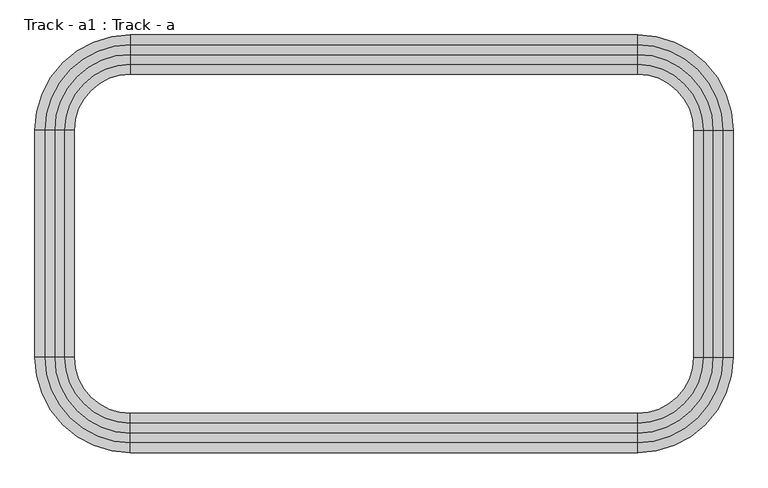
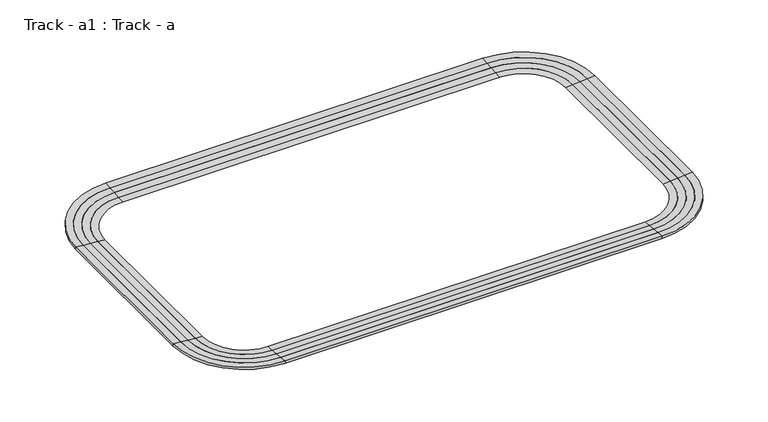
"""IFC4 building model written with IfcOpenShell, lengths in millimetres: proxy geometry, Track - a1 : Track - a."""

from ifc_helpers import new_model, si_unit, frame, origin, place, context, project, spatial, polyline, circle_curve, source, transform, mapped, element, save
from ifc_brep_helpers import plane_surface, cylinder_surface, revolved_surface, advanced_brep


def track_a1_track_a_b230d546(model_context):
    return source(origin(), model_context, "Body", "AdvancedBrep", [
        advanced_brep(
        [(249016.6254676, -479425.8080223, 4775.2), (238653.4254676, -469062.6080223, 4775.2), (238653.4254676, -470129.4080223, 4686.3), (247949.8254676, -479425.8080223, 4686.3), (249016.6254676, -479425.8080223, 4419.6), (238653.4254676, -469062.6080223, 4419.6), (238653.4254676, -470129.4080223, 4419.6), (247949.8254676, -479425.8080223, 4419.6), (247949.8254676, -504114.6080223, 4686.3), (249016.6254676, -504114.6080223, 4775.2), (249016.6254676, -504114.6080223, 4419.6), (247949.8254676, -504114.6080223, 4419.6), (238653.4254676, -514477.8080223, 4775.2), (238653.4254676, -513411.0080223, 4686.3), (238653.4254676, -514477.8080223, 4419.6), (238653.4254676, -513411.0080223, 4419.6), (183484.6254676, -513411.0080223, 4686.3), (183484.6254676, -514477.8080223, 4775.2), (183484.6254676, -514477.8080223, 4419.6), (183484.6254676, -513411.0080223, 4419.6), (173121.4254676, -504114.6080223, 4775.2), (174188.2254676, -504114.6080223, 4686.3), (173121.4254676, -504114.6080223, 4419.6), (174188.2254676, -504114.6080223, 4419.6), (174188.2254676, -479425.8080223, 4686.3), (173121.4254676, -479425.8080223, 4775.2), (173121.4254676, -479425.8080223, 4419.6), (174188.2254676, -479425.8080223, 4419.6), (183484.6254676, -469062.6080223, 4775.2), (183484.6254676, -470129.4080223, 4686.3), (183484.6254676, -469062.6080223, 4419.6), (183484.6254676, -470129.4080223, 4419.6)],
        [
            (0, 1, circle_curve(frame((238653.4254676, -479425.8080223, 4775.2), z_axis=(0.0, 0.0, 1.0), x_axis=(0.0, 1.0, 0.0)), 10363.2)),
            (1, 2),
            (2, 3, circle_curve(frame((238653.4254676, -479425.8080223, 4686.3), z_axis=(0.0, 0.0, -1.0), x_axis=(0.0, 1.0, 0.0)), 9296.4)),
            (3, 0),
            (4, 5, circle_curve(frame((238653.4254676, -479425.8080223, 4419.6), z_axis=(0.0, 0.0, 1.0), x_axis=(0.0, 1.0, 0.0)), 10363.2)),
            (5, 1),
            (0, 4),
            (2, 6),
            (6, 7, circle_curve(frame((238653.4254676, -479425.8080223, 4419.6), z_axis=(0.0, 0.0, -1.0), x_axis=(0.0, 1.0, 0.0)), 9296.4)),
            (7, 3),
            (3, 8),
            (8, 9),
            (9, 0),
            (9, 10),
            (10, 4),
            (7, 11),
            (11, 8),
            (12, 9, circle_curve(frame((238653.4254676, -504114.6080223, 4775.2), z_axis=(0.0, 0.0, 1.0), x_axis=(1.0, 0.0, 0.0)), 10363.2)),
            (8, 13, circle_curve(frame((238653.4254676, -504114.6080223, 4686.3), z_axis=(0.0, 0.0, -1.0), x_axis=(1.0, 0.0, 0.0)), 9296.4)),
            (13, 12),
            (14, 10, circle_curve(frame((238653.4254676, -504114.6080223, 4419.6), z_axis=(0.0, 0.0, 1.0), x_axis=(1.0, 0.0, 0.0)), 10363.2)),
            (12, 14),
            (11, 15, circle_curve(frame((238653.4254676, -504114.6080223, 4419.6), z_axis=(0.0, 0.0, -1.0), x_axis=(1.0, 0.0, 0.0)), 9296.4)),
            (15, 13),
            (13, 16),
            (16, 17),
            (17, 12),
            (17, 18),
            (18, 14),
            (15, 19),
            (19, 16),
            (20, 17, circle_curve(frame((183484.6254676, -504114.6080223, 4775.2), z_axis=(0.0, 0.0, 1.0), x_axis=(0.0, -1.0, 0.0)), 10363.2)),
            (16, 21, circle_curve(frame((183484.6254676, -504114.6080223, 4686.3), z_axis=(0.0, 0.0, -1.0), x_axis=(0.0, -1.0, 0.0)), 9296.4)),
            (21, 20),
            (22, 18, circle_curve(frame((183484.6254676, -504114.6080223, 4419.6), z_axis=(0.0, 0.0, 1.0), x_axis=(0.0, -1.0, 0.0)), 10363.2)),
            (20, 22),
            (19, 23, circle_curve(frame((183484.6254676, -504114.6080223, 4419.6), z_axis=(0.0, 0.0, -1.0), x_axis=(0.0, -1.0, 0.0)), 9296.4)),
            (23, 21),
            (21, 24),
            (24, 25),
            (25, 20),
            (25, 26),
            (26, 22),
            (23, 27),
            (27, 24),
            (28, 25, circle_curve(frame((183484.6254676, -479425.8080223, 4775.2), z_axis=(0.0, 0.0, 1.0), x_axis=(-1.0, 0.0, 0.0)), 10363.2)),
            (24, 29, circle_curve(frame((183484.6254676, -479425.8080223, 4686.3), z_axis=(0.0, 0.0, -1.0), x_axis=(-1.0, 0.0, 0.0)), 9296.4)),
            (29, 28),
            (30, 26, circle_curve(frame((183484.6254676, -479425.8080223, 4419.6), z_axis=(0.0, 0.0, 1.0), x_axis=(-1.0, 0.0, 0.0)), 10363.2)),
            (28, 30),
            (27, 31, circle_curve(frame((183484.6254676, -479425.8080223, 4419.6), z_axis=(0.0, 0.0, -1.0), x_axis=(-1.0, 0.0, 0.0)), 9296.4)),
            (31, 29),
            (29, 2),
            (1, 28),
            (5, 30),
            (6, 31),
        ],
        [
            revolved_surface(polyline([(238653.4254676, -470129.4080223, 4686.3), (238653.4254676, -469062.6080223, 4775.2)]), (238653.4254676, -479425.8080223, 0.0), (0.0, 0.0, -1.0)),
            cylinder_surface(frame((238653.4254676, -479425.8080223, 0.0), z_axis=(0.0, 0.0, -1.0), x_axis=(0.0, 1.0, 0.0)), 10363.2),
            revolved_surface(polyline([(238653.4254676, -470129.4080223, 4419.6), (238653.4254676, -470129.4080223, 4686.3)]), (238653.4254676, -479425.8080223, 0.0), (0.0, 0.0, -1.0)),
            plane_surface(frame((247949.8254676, -479425.8080223, 4686.3), z_axis=(-0.08304547985373159, 0.0, 0.9965457582448803), x_axis=(0.0, -1.0, 0.0))),
            plane_surface(frame((249016.6254676, -479425.8080223, 4775.2), z_axis=(1.0, 0.0, 0.0), x_axis=(0.0, -1.0, 0.0))),
            plane_surface(frame((247949.8254676, -479425.8080223, 4419.6), z_axis=(-1.0, 0.0, 0.0), x_axis=(0.0, -1.0, 0.0))),
            revolved_surface(polyline([(247949.8254676, -504114.6080223, 4686.3), (249016.6254676, -504114.6080223, 4775.2)]), (238653.4254676, -504114.6080223, 0.0), (0.0, 0.0, -1.0)),
            cylinder_surface(frame((238653.4254676, -504114.6080223, 0.0), z_axis=(0.0, 0.0, -1.0), x_axis=(1.0, 0.0, 0.0)), 10363.2),
            revolved_surface(polyline([(247949.8254676, -504114.6080223, 4419.6), (247949.8254676, -504114.6080223, 4686.3)]), (238653.4254676, -504114.6080223, 0.0), (0.0, 0.0, -1.0)),
            plane_surface(frame((238653.4254676, -513411.0080223, 4686.3), z_axis=(0.0, 0.08304547985373159, 0.9965457582448803), x_axis=(-1.0, 0.0, 0.0))),
            plane_surface(frame((238653.4254676, -514477.8080223, 4775.2), z_axis=(0.0, -1.0, 0.0), x_axis=(-1.0, 0.0, 0.0))),
            plane_surface(frame((238653.4254676, -513411.0080223, 4419.6), z_axis=(0.0, 1.0, 0.0), x_axis=(-1.0, 0.0, 0.0))),
            revolved_surface(polyline([(183484.6254676, -513411.0080223, 4686.3), (183484.6254676, -514477.8080223, 4775.2)]), (183484.6254676, -504114.6080223, 0.0), (0.0, 0.0, -1.0)),
            cylinder_surface(frame((183484.6254676, -504114.6080223, 0.0), z_axis=(0.0, 0.0, -1.0), x_axis=(0.0, -1.0, 0.0)), 10363.2),
            revolved_surface(polyline([(183484.6254676, -513411.0080223, 4419.6), (183484.6254676, -513411.0080223, 4686.3)]), (183484.6254676, -504114.6080223, 0.0), (0.0, 0.0, -1.0)),
            plane_surface(frame((174188.2254676, -504114.6080223, 4686.3), z_axis=(0.08304547985373159, 0.0, 0.9965457582448803), x_axis=(0.0, 1.0, 0.0))),
            plane_surface(frame((173121.4254676, -504114.6080223, 4775.2), z_axis=(-1.0, 0.0, 0.0), x_axis=(0.0, 1.0, 0.0))),
            plane_surface(frame((174188.2254676, -504114.6080223, 4419.6), z_axis=(1.0, 0.0, 0.0), x_axis=(0.0, 1.0, 0.0))),
            revolved_surface(polyline([(174188.2254676, -479425.8080223, 4686.3), (173121.4254676, -479425.8080223, 4775.2)]), (183484.6254676, -479425.8080223, 0.0), (0.0, 0.0, -1.0)),
            cylinder_surface(frame((183484.6254676, -479425.8080223, 0.0), z_axis=(0.0, 0.0, -1.0), x_axis=(-1.0, 0.0, 0.0)), 10363.2),
            revolved_surface(polyline([(174188.22546760002, -479425.8080223, 4419.6), (174188.22546760002, -479425.8080223, 4686.3)]), (183484.6254676, -479425.8080223, 0.0), (0.0, 0.0, -1.0)),
            plane_surface(frame((183484.6254676, -470129.4080223, 4686.3), z_axis=(0.0, -0.08304547985373159, 0.9965457582448803), x_axis=(1.0, 0.0, 0.0))),
            plane_surface(frame((183484.6254676, -469062.6080223, 4775.2), z_axis=(0.0, 1.0, 0.0), x_axis=(1.0, 0.0, 0.0))),
            plane_surface(frame((183484.6254676, -469062.6080223, 4419.6), z_axis=(0.0, 0.0, -1.0), x_axis=(1.0, 0.0, 0.0))),
            plane_surface(frame((183484.6254676, -470129.4080223, 4419.6), z_axis=(0.0, -1.0, 0.0), x_axis=(1.0, 0.0, 0.0))),
        ],
        [
            (0, [[1, 2, 3, 4]]),
            (1, [[5, 6, -1, 7]]),
            (2, [[-3, 8, 9, 10]]),
            (3, [[-4, 11, 12, 13]]),
            (4, [[-7, -13, 14, 15]]),
            (5, [[-10, 16, 17, -11]]),
            (6, [[18, -12, 19, 20]]),
            (7, [[21, -14, -18, 22]]),
            (8, [[-19, -17, 23, 24]]),
            (9, [[-20, 25, 26, 27]]),
            (10, [[-22, -27, 28, 29]]),
            (11, [[-24, 30, 31, -25]]),
            (12, [[32, -26, 33, 34]]),
            (13, [[35, -28, -32, 36]]),
            (14, [[-33, -31, 37, 38]]),
            (15, [[-34, 39, 40, 41]]),
            (16, [[-36, -41, 42, 43]]),
            (17, [[-38, 44, 45, -39]]),
            (18, [[46, -40, 47, 48]]),
            (19, [[49, -42, -46, 50]]),
            (20, [[-47, -45, 51, 52]]),
            (21, [[-48, 53, -2, 54]]),
            (22, [[-50, -54, -6, 55]]),
            (23, [[-43, -49, -55, -5, -15, -21, -29, -35], [56, -51, -44, -37, -30, -23, -16, -9]]),
            (24, [[-52, -56, -8, -53]]),
        ],
    ),
        advanced_brep(
        [(247949.8254676, -479425.8080223, 4686.3), (238653.4254676, -470129.4080223, 4686.3), (238653.4254676, -471196.2080223, 4597.4), (246883.0254676, -479425.8080223, 4597.4), (247949.8254676, -479425.8080223, 4419.6), (238653.4254676, -470129.4080223, 4419.6), (238653.4254676, -471196.2080223, 4419.6), (246883.0254676, -479425.8080223, 4419.6), (246883.0254676, -504114.6080223, 4597.4), (247949.8254676, -504114.6080223, 4686.3), (247949.8254676, -504114.6080223, 4419.6), (246883.0254676, -504114.6080223, 4419.6), (238653.4254676, -513411.0080223, 4686.3), (238653.4254676, -512344.2080223, 4597.4), (238653.4254676, -513411.0080223, 4419.6), (238653.4254676, -512344.2080223, 4419.6), (183484.6254676, -512344.2080223, 4597.4), (183484.6254676, -513411.0080223, 4686.3), (183484.6254676, -513411.0080223, 4419.6), (183484.6254676, -512344.2080223, 4419.6), (174188.2254676, -504114.6080223, 4686.3), (175255.0254676, -504114.6080223, 4597.4), (174188.2254676, -504114.6080223, 4419.6), (175255.0254676, -504114.6080223, 4419.6), (175255.0254676, -479425.8080223, 4597.4), (174188.2254676, -479425.8080223, 4686.3), (174188.2254676, -479425.8080223, 4419.6), (175255.0254676, -479425.8080223, 4419.6), (183484.6254676, -470129.4080223, 4686.3), (183484.6254676, -471196.2080223, 4597.4), (183484.6254676, -470129.4080223, 4419.6), (183484.6254676, -471196.2080223, 4419.6)],
        [
            (0, 1, circle_curve(frame((238653.4254676, -479425.8080223, 4686.3), z_axis=(0.0, 0.0, 1.0), x_axis=(0.0, 1.0, 0.0)), 9296.4)),
            (1, 2),
            (2, 3, circle_curve(frame((238653.4254676, -479425.8080223, 4597.4), z_axis=(0.0, 0.0, -1.0), x_axis=(0.0, 1.0, 0.0)), 8229.6)),
            (3, 0),
            (4, 5, circle_curve(frame((238653.4254676, -479425.8080223, 4419.6), z_axis=(0.0, 0.0, 1.0), x_axis=(0.0, 1.0, 0.0)), 9296.4)),
            (5, 1),
            (0, 4),
            (2, 6),
            (6, 7, circle_curve(frame((238653.4254676, -479425.8080223, 4419.6), z_axis=(0.0, 0.0, -1.0), x_axis=(0.0, 1.0, 0.0)), 8229.6)),
            (7, 3),
            (3, 8),
            (8, 9),
            (9, 0),
            (9, 10),
            (10, 4),
            (7, 11),
            (11, 8),
            (12, 9, circle_curve(frame((238653.4254676, -504114.6080223, 4686.3), z_axis=(0.0, 0.0, 1.0), x_axis=(1.0, 0.0, 0.0)), 9296.4)),
            (8, 13, circle_curve(frame((238653.4254676, -504114.6080223, 4597.4), z_axis=(0.0, 0.0, -1.0), x_axis=(1.0, 0.0, 0.0)), 8229.6)),
            (13, 12),
            (14, 10, circle_curve(frame((238653.4254676, -504114.6080223, 4419.6), z_axis=(0.0, 0.0, 1.0), x_axis=(1.0, 0.0, 0.0)), 9296.4)),
            (12, 14),
            (11, 15, circle_curve(frame((238653.4254676, -504114.6080223, 4419.6), z_axis=(0.0, 0.0, -1.0), x_axis=(1.0, 0.0, 0.0)), 8229.6)),
            (15, 13),
            (13, 16),
            (16, 17),
            (17, 12),
            (17, 18),
            (18, 14),
            (15, 19),
            (19, 16),
            (20, 17, circle_curve(frame((183484.6254676, -504114.6080223, 4686.3), z_axis=(0.0, 0.0, 1.0), x_axis=(0.0, -1.0, 0.0)), 9296.4)),
            (16, 21, circle_curve(frame((183484.6254676, -504114.6080223, 4597.4), z_axis=(0.0, 0.0, -1.0), x_axis=(0.0, -1.0, 0.0)), 8229.6)),
            (21, 20),
            (22, 18, circle_curve(frame((183484.6254676, -504114.6080223, 4419.6), z_axis=(0.0, 0.0, 1.0), x_axis=(0.0, -1.0, 0.0)), 9296.4)),
            (20, 22),
            (19, 23, circle_curve(frame((183484.6254676, -504114.6080223, 4419.6), z_axis=(0.0, 0.0, -1.0), x_axis=(0.0, -1.0, 0.0)), 8229.6)),
            (23, 21),
            (21, 24),
            (24, 25),
            (25, 20),
            (25, 26),
            (26, 22),
            (23, 27),
            (27, 24),
            (28, 25, circle_curve(frame((183484.6254676, -479425.8080223, 4686.3), z_axis=(0.0, 0.0, 1.0), x_axis=(-1.0, 0.0, 0.0)), 9296.4)),
            (24, 29, circle_curve(frame((183484.6254676, -479425.8080223, 4597.4), z_axis=(0.0, 0.0, -1.0), x_axis=(-1.0, 0.0, 0.0)), 8229.6)),
            (29, 28),
            (30, 26, circle_curve(frame((183484.6254676, -479425.8080223, 4419.6), z_axis=(0.0, 0.0, 1.0), x_axis=(-1.0, 0.0, 0.0)), 9296.4)),
            (28, 30),
            (27, 31, circle_curve(frame((183484.6254676, -479425.8080223, 4419.6), z_axis=(0.0, 0.0, -1.0), x_axis=(-1.0, 0.0, 0.0)), 8229.6)),
            (31, 29),
            (29, 2),
            (1, 28),
            (5, 30),
            (6, 31),
        ],
        [
            revolved_surface(polyline([(238653.4254676, -471196.2080223, 4597.4), (238653.4254676, -470129.4080223, 4686.3)]), (238653.4254676, -479425.8080223, 0.0), (0.0, 0.0, -1.0)),
            cylinder_surface(frame((238653.4254676, -479425.8080223, 0.0), z_axis=(0.0, 0.0, -1.0), x_axis=(0.0, 1.0, 0.0)), 9296.4),
            revolved_surface(polyline([(238653.4254676, -471196.20802230004, 4419.6), (238653.4254676, -471196.20802230004, 4597.4)]), (238653.4254676, -479425.8080223, 0.0), (0.0, 0.0, -1.0)),
            plane_surface(frame((246883.0254676, -479425.8080223, 4597.4), z_axis=(-0.08304547985373473, 0.0, 0.9965457582448801), x_axis=(0.0, -1.0, 0.0))),
            plane_surface(frame((247949.8254676, -479425.8080223, 4686.3), z_axis=(1.0, 0.0, 0.0), x_axis=(0.0, -1.0, 0.0))),
            plane_surface(frame((246883.0254676, -479425.8080223, 4419.6), z_axis=(-1.0, 0.0, 0.0), x_axis=(0.0, -1.0, 0.0))),
            revolved_surface(polyline([(246883.0254676, -504114.6080223, 4597.4), (247949.8254676, -504114.6080223, 4686.3)]), (238653.4254676, -504114.6080223, 0.0), (0.0, 0.0, -1.0)),
            cylinder_surface(frame((238653.4254676, -504114.6080223, 0.0), z_axis=(0.0, 0.0, -1.0), x_axis=(1.0, 0.0, 0.0)), 9296.4),
            revolved_surface(polyline([(246883.0254676, -504114.6080223, 4419.6), (246883.0254676, -504114.6080223, 4597.4)]), (238653.4254676, -504114.6080223, 0.0), (0.0, 0.0, -1.0)),
            plane_surface(frame((238653.4254676, -512344.2080223, 4597.4), z_axis=(0.0, 0.08304547985373473, 0.9965457582448801), x_axis=(-1.0, 0.0, 0.0))),
            plane_surface(frame((238653.4254676, -513411.0080223, 4686.3), z_axis=(0.0, -1.0, 0.0), x_axis=(-1.0, 0.0, 0.0))),
            plane_surface(frame((238653.4254676, -512344.2080223, 4419.6), z_axis=(0.0, 1.0, 0.0), x_axis=(-1.0, 0.0, 0.0))),
            revolved_surface(polyline([(183484.6254676, -512344.2080223, 4597.4), (183484.6254676, -513411.0080223, 4686.3)]), (183484.6254676, -504114.6080223, 0.0), (0.0, 0.0, -1.0)),
            cylinder_surface(frame((183484.6254676, -504114.6080223, 0.0), z_axis=(0.0, 0.0, -1.0), x_axis=(0.0, -1.0, 0.0)), 9296.4),
            revolved_surface(polyline([(183484.6254676, -512344.2080223, 4419.6), (183484.6254676, -512344.2080223, 4597.4)]), (183484.6254676, -504114.6080223, 0.0), (0.0, 0.0, -1.0)),
            plane_surface(frame((175255.0254676, -504114.6080223, 4597.4), z_axis=(0.08304547985373473, 0.0, 0.9965457582448801), x_axis=(0.0, 1.0, 0.0))),
            plane_surface(frame((174188.2254676, -504114.6080223, 4686.3), z_axis=(-1.0, 0.0, 0.0), x_axis=(0.0, 1.0, 0.0))),
            plane_surface(frame((175255.0254676, -504114.6080223, 4419.6), z_axis=(1.0, 0.0, 0.0), x_axis=(0.0, 1.0, 0.0))),
            revolved_surface(polyline([(175255.0254676, -479425.8080223, 4597.4), (174188.2254676, -479425.8080223, 4686.3)]), (183484.6254676, -479425.8080223, 0.0), (0.0, 0.0, -1.0)),
            cylinder_surface(frame((183484.6254676, -479425.8080223, 0.0), z_axis=(0.0, 0.0, -1.0), x_axis=(-1.0, 0.0, 0.0)), 9296.4),
            revolved_surface(polyline([(175255.0254676, -479425.8080223, 4419.6), (175255.0254676, -479425.8080223, 4597.4)]), (183484.6254676, -479425.8080223, 0.0), (0.0, 0.0, -1.0)),
            plane_surface(frame((183484.6254676, -471196.2080223, 4597.4), z_axis=(0.0, -0.08304547985373473, 0.9965457582448801), x_axis=(1.0, 0.0, 0.0))),
            plane_surface(frame((183484.6254676, -470129.4080223, 4686.3), z_axis=(0.0, 1.0, 0.0), x_axis=(1.0, 0.0, 0.0))),
            plane_surface(frame((183484.6254676, -470129.4080223, 4419.6), z_axis=(0.0, 0.0, -1.0), x_axis=(1.0, 0.0, 0.0))),
            plane_surface(frame((183484.6254676, -471196.2080223, 4419.6), z_axis=(0.0, -1.0, 0.0), x_axis=(1.0, 0.0, 0.0))),
        ],
        [
            (0, [[1, 2, 3, 4]]),
            (1, [[5, 6, -1, 7]]),
            (2, [[-3, 8, 9, 10]]),
            (3, [[-4, 11, 12, 13]]),
            (4, [[-7, -13, 14, 15]]),
            (5, [[-10, 16, 17, -11]]),
            (6, [[18, -12, 19, 20]]),
            (7, [[21, -14, -18, 22]]),
            (8, [[-19, -17, 23, 24]]),
            (9, [[-20, 25, 26, 27]]),
            (10, [[-22, -27, 28, 29]]),
            (11, [[-24, 30, 31, -25]]),
            (12, [[32, -26, 33, 34]]),
            (13, [[35, -28, -32, 36]]),
            (14, [[-33, -31, 37, 38]]),
            (15, [[-34, 39, 40, 41]]),
            (16, [[-36, -41, 42, 43]]),
            (17, [[-38, 44, 45, -39]]),
            (18, [[46, -40, 47, 48]]),
            (19, [[49, -42, -46, 50]]),
            (20, [[-47, -45, 51, 52]]),
            (21, [[-48, 53, -2, 54]]),
            (22, [[-50, -54, -6, 55]]),
            (23, [[-43, -49, -55, -5, -15, -21, -29, -35], [56, -51, -44, -37, -30, -23, -16, -9]]),
            (24, [[-52, -56, -8, -53]]),
        ],
    ),
        advanced_brep(
        [(246883.0254676, -479425.8080223, 4597.4), (238653.4254676, -471196.2080223, 4597.4), (238653.4254676, -472263.0080223, 4508.5), (245816.2254676, -479425.8080223, 4508.5), (246883.0254676, -479425.8080223, 4419.6), (238653.4254676, -471196.2080223, 4419.6), (238653.4254676, -472263.0080223, 4419.6), (245816.2254676, -479425.8080223, 4419.6), (245816.2254676, -504114.6080223, 4508.5), (246883.0254676, -504114.6080223, 4597.4), (246883.0254676, -504114.6080223, 4419.6), (245816.2254676, -504114.6080223, 4419.6), (238653.4254676, -512344.2080223, 4597.4), (238653.4254676, -511277.4080223, 4508.5), (238653.4254676, -512344.2080223, 4419.6), (238653.4254676, -511277.4080223, 4419.6), (183484.6254676, -511277.4080223, 4508.5), (183484.6254676, -512344.2080223, 4597.4), (183484.6254676, -512344.2080223, 4419.6), (183484.6254676, -511277.4080223, 4419.6), (175255.0254676, -504114.6080223, 4597.4), (176321.8254676, -504114.6080223, 4508.5), (175255.0254676, -504114.6080223, 4419.6), (176321.8254676, -504114.6080223, 4419.6), (176321.8254676, -479425.8080223, 4508.5), (175255.0254676, -479425.8080223, 4597.4), (175255.0254676, -479425.8080223, 4419.6), (176321.8254676, -479425.8080223, 4419.6), (183484.6254676, -471196.2080223, 4597.4), (183484.6254676, -472263.0080223, 4508.5), (183484.6254676, -471196.2080223, 4419.6), (183484.6254676, -472263.0080223, 4419.6)],
        [
            (0, 1, circle_curve(frame((238653.4254676, -479425.8080223, 4597.4), z_axis=(0.0, 0.0, 1.0), x_axis=(0.0, 1.0, 0.0)), 8229.6)),
            (1, 2),
            (2, 3, circle_curve(frame((238653.4254676, -479425.8080223, 4508.5), z_axis=(0.0, 0.0, -1.0), x_axis=(0.0, 1.0, 0.0)), 7162.8)),
            (3, 0),
            (4, 5, circle_curve(frame((238653.4254676, -479425.8080223, 4419.6), z_axis=(0.0, 0.0, 1.0), x_axis=(0.0, 1.0, 0.0)), 8229.6)),
            (5, 1),
            (0, 4),
            (2, 6),
            (6, 7, circle_curve(frame((238653.4254676, -479425.8080223, 4419.6), z_axis=(0.0, 0.0, -1.0), x_axis=(0.0, 1.0, 0.0)), 7162.8)),
            (7, 3),
            (3, 8),
            (8, 9),
            (9, 0),
            (9, 10),
            (10, 4),
            (7, 11),
            (11, 8),
            (12, 9, circle_curve(frame((238653.4254676, -504114.6080223, 4597.4), z_axis=(0.0, 0.0, 1.0), x_axis=(1.0, 0.0, 0.0)), 8229.6)),
            (8, 13, circle_curve(frame((238653.4254676, -504114.6080223, 4508.5), z_axis=(0.0, 0.0, -1.0), x_axis=(1.0, 0.0, 0.0)), 7162.8)),
            (13, 12),
            (14, 10, circle_curve(frame((238653.4254676, -504114.6080223, 4419.6), z_axis=(0.0, 0.0, 1.0), x_axis=(1.0, 0.0, 0.0)), 8229.6)),
            (12, 14),
            (11, 15, circle_curve(frame((238653.4254676, -504114.6080223, 4419.6), z_axis=(0.0, 0.0, -1.0), x_axis=(1.0, 0.0, 0.0)), 7162.8)),
            (15, 13),
            (13, 16),
            (16, 17),
            (17, 12),
            (17, 18),
            (18, 14),
            (15, 19),
            (19, 16),
            (20, 17, circle_curve(frame((183484.6254676, -504114.6080223, 4597.4), z_axis=(0.0, 0.0, 1.0), x_axis=(0.0, -1.0, 0.0)), 8229.6)),
            (16, 21, circle_curve(frame((183484.6254676, -504114.6080223, 4508.5), z_axis=(0.0, 0.0, -1.0), x_axis=(0.0, -1.0, 0.0)), 7162.8)),
            (21, 20),
            (22, 18, circle_curve(frame((183484.6254676, -504114.6080223, 4419.6), z_axis=(0.0, 0.0, 1.0), x_axis=(0.0, -1.0, 0.0)), 8229.6)),
            (20, 22),
            (19, 23, circle_curve(frame((183484.6254676, -504114.6080223, 4419.6), z_axis=(0.0, 0.0, -1.0), x_axis=(0.0, -1.0, 0.0)), 7162.8)),
            (23, 21),
            (21, 24),
            (24, 25),
            (25, 20),
            (25, 26),
            (26, 22),
            (23, 27),
            (27, 24),
            (28, 25, circle_curve(frame((183484.6254676, -479425.8080223, 4597.4), z_axis=(0.0, 0.0, 1.0), x_axis=(-1.0, 0.0, 0.0)), 8229.6)),
            (24, 29, circle_curve(frame((183484.6254676, -479425.8080223, 4508.5), z_axis=(0.0, 0.0, -1.0), x_axis=(-1.0, 0.0, 0.0)), 7162.8)),
            (29, 28),
            (30, 26, circle_curve(frame((183484.6254676, -479425.8080223, 4419.6), z_axis=(0.0, 0.0, 1.0), x_axis=(-1.0, 0.0, 0.0)), 8229.6)),
            (28, 30),
            (27, 31, circle_curve(frame((183484.6254676, -479425.8080223, 4419.6), z_axis=(0.0, 0.0, -1.0), x_axis=(-1.0, 0.0, 0.0)), 7162.8)),
            (31, 29),
            (29, 2),
            (1, 28),
            (5, 30),
            (6, 31),
        ],
        [
            revolved_surface(polyline([(238653.4254676, -472263.0080223, 4508.5), (238653.4254676, -471196.2080223, 4597.4)]), (238653.4254676, -479425.8080223, 0.0), (0.0, 0.0, -1.0)),
            cylinder_surface(frame((238653.4254676, -479425.8080223, 0.0), z_axis=(0.0, 0.0, -1.0), x_axis=(0.0, 1.0, 0.0)), 8229.6),
            revolved_surface(polyline([(238653.4254676, -472263.0080223, 4419.6), (238653.4254676, -472263.0080223, 4508.5)]), (238653.4254676, -479425.8080223, 0.0), (0.0, 0.0, -1.0)),
            plane_surface(frame((245816.2254676, -479425.8080223, 4508.5), z_axis=(-0.0830454798537369, 0.0, 0.9965457582448799), x_axis=(0.0, -1.0, 0.0))),
            plane_surface(frame((246883.0254676, -479425.8080223, 4597.4), z_axis=(1.0, 0.0, 0.0), x_axis=(0.0, -1.0, 0.0))),
            plane_surface(frame((245816.2254676, -479425.8080223, 4419.6), z_axis=(-1.0, 0.0, 0.0), x_axis=(0.0, -1.0, 0.0))),
            revolved_surface(polyline([(245816.2254676, -504114.6080223, 4508.5), (246883.0254676, -504114.6080223, 4597.4)]), (238653.4254676, -504114.6080223, 0.0), (0.0, 0.0, -1.0)),
            cylinder_surface(frame((238653.4254676, -504114.6080223, 0.0), z_axis=(0.0, 0.0, -1.0), x_axis=(1.0, 0.0, 0.0)), 8229.6),
            revolved_surface(polyline([(245816.2254676, -504114.6080223, 4419.6), (245816.2254676, -504114.6080223, 4508.5)]), (238653.4254676, -504114.6080223, 0.0), (0.0, 0.0, -1.0)),
            plane_surface(frame((238653.4254676, -511277.4080223, 4508.5), z_axis=(0.0, 0.0830454798537369, 0.9965457582448799), x_axis=(-1.0, 0.0, 0.0))),
            plane_surface(frame((238653.4254676, -512344.2080223, 4597.4), z_axis=(0.0, -1.0, 0.0), x_axis=(-1.0, 0.0, 0.0))),
            plane_surface(frame((238653.4254676, -511277.4080223, 4419.6), z_axis=(0.0, 1.0, 0.0), x_axis=(-1.0, 0.0, 0.0))),
            revolved_surface(polyline([(183484.6254676, -511277.4080223, 4508.5), (183484.6254676, -512344.2080223, 4597.4)]), (183484.6254676, -504114.6080223, 0.0), (0.0, 0.0, -1.0)),
            cylinder_surface(frame((183484.6254676, -504114.6080223, 0.0), z_axis=(0.0, 0.0, -1.0), x_axis=(0.0, -1.0, 0.0)), 8229.6),
            revolved_surface(polyline([(183484.6254676, -511277.4080223, 4419.6), (183484.6254676, -511277.4080223, 4508.5)]), (183484.6254676, -504114.6080223, 0.0), (0.0, 0.0, -1.0)),
            plane_surface(frame((176321.8254676, -504114.6080223, 4508.5), z_axis=(0.0830454798537369, 0.0, 0.9965457582448799), x_axis=(0.0, 1.0, 0.0))),
            plane_surface(frame((175255.0254676, -504114.6080223, 4597.4), z_axis=(-1.0, 0.0, 0.0), x_axis=(0.0, 1.0, 0.0))),
            plane_surface(frame((176321.8254676, -504114.6080223, 4419.6), z_axis=(1.0, 0.0, 0.0), x_axis=(0.0, 1.0, 0.0))),
            revolved_surface(polyline([(176321.8254676, -479425.8080223, 4508.5), (175255.0254676, -479425.8080223, 4597.4)]), (183484.6254676, -479425.8080223, 0.0), (0.0, 0.0, -1.0)),
            cylinder_surface(frame((183484.6254676, -479425.8080223, 0.0), z_axis=(0.0, 0.0, -1.0), x_axis=(-1.0, 0.0, 0.0)), 8229.6),
            revolved_surface(polyline([(176321.82546760002, -479425.8080223, 4419.6), (176321.82546760002, -479425.8080223, 4508.5)]), (183484.6254676, -479425.8080223, 0.0), (0.0, 0.0, -1.0)),
            plane_surface(frame((183484.6254676, -472263.0080223, 4508.5), z_axis=(0.0, -0.0830454798537369, 0.9965457582448799), x_axis=(1.0, 0.0, 0.0))),
            plane_surface(frame((183484.6254676, -471196.2080223, 4597.4), z_axis=(0.0, 1.0, 0.0), x_axis=(1.0, 0.0, 0.0))),
            plane_surface(frame((183484.6254676, -471196.2080223, 4419.6), z_axis=(0.0, 0.0, -1.0), x_axis=(1.0, 0.0, 0.0))),
            plane_surface(frame((183484.6254676, -472263.0080223, 4419.6), z_axis=(0.0, -1.0, 0.0), x_axis=(1.0, 0.0, 0.0))),
        ],
        [
            (0, [[1, 2, 3, 4]]),
            (1, [[5, 6, -1, 7]]),
            (2, [[-3, 8, 9, 10]]),
            (3, [[-4, 11, 12, 13]]),
            (4, [[-7, -13, 14, 15]]),
            (5, [[-10, 16, 17, -11]]),
            (6, [[18, -12, 19, 20]]),
            (7, [[21, -14, -18, 22]]),
            (8, [[-19, -17, 23, 24]]),
            (9, [[-20, 25, 26, 27]]),
            (10, [[-22, -27, 28, 29]]),
            (11, [[-24, 30, 31, -25]]),
            (12, [[32, -26, 33, 34]]),
            (13, [[35, -28, -32, 36]]),
            (14, [[-33, -31, 37, 38]]),
            (15, [[-34, 39, 40, 41]]),
            (16, [[-36, -41, 42, 43]]),
            (17, [[-38, 44, 45, -39]]),
            (18, [[46, -40, 47, 48]]),
            (19, [[49, -42, -46, 50]]),
            (20, [[-47, -45, 51, 52]]),
            (21, [[-48, 53, -2, 54]]),
            (22, [[-50, -54, -6, 55]]),
            (23, [[-43, -49, -55, -5, -15, -21, -29, -35], [56, -51, -44, -37, -30, -23, -16, -9]]),
            (24, [[-52, -56, -8, -53]]),
        ],
    ),
        advanced_brep(
        [(245816.2254676, -479425.8080223, 4508.5), (238653.4254676, -472263.0080223, 4508.5), (238653.4254676, -473329.8080223, 4419.6), (244749.4254676, -479425.8080223, 4419.6), (245816.2254676, -479425.8080223, 4419.6), (238653.4254676, -472263.0080223, 4419.6), (244749.4254676, -504114.6080223, 4419.6), (245816.2254676, -504114.6080223, 4508.5), (245816.2254676, -504114.6080223, 4419.6), (238653.4254676, -511277.4080223, 4508.5), (238653.4254676, -510210.6080223, 4419.6), (238653.4254676, -511277.4080223, 4419.6), (183484.6254676, -510210.6080223, 4419.6), (183484.6254676, -511277.4080223, 4508.5), (183484.6254676, -511277.4080223, 4419.6), (176321.8254676, -504114.6080223, 4508.5), (177388.6254676, -504114.6080223, 4419.6), (176321.8254676, -504114.6080223, 4419.6), (177388.6254676, -479425.8080223, 4419.6), (176321.8254676, -479425.8080223, 4508.5), (176321.8254676, -479425.8080223, 4419.6), (183484.6254676, -472263.0080223, 4508.5), (183484.6254676, -473329.8080223, 4419.6), (183484.6254676, -472263.0080223, 4419.6)],
        [
            (0, 1, circle_curve(frame((238653.4254676, -479425.8080223, 4508.5), z_axis=(0.0, 0.0, 1.0), x_axis=(0.0, 1.0, 0.0)), 7162.8)),
            (1, 2),
            (2, 3, circle_curve(frame((238653.4254676, -479425.8080223, 4419.6), z_axis=(0.0, 0.0, -1.0), x_axis=(0.0, 1.0, 0.0)), 6096.0)),
            (3, 0),
            (4, 5, circle_curve(frame((238653.4254676, -479425.8080223, 4419.6), z_axis=(0.0, 0.0, 1.0), x_axis=(0.0, 1.0, 0.0)), 7162.8)),
            (5, 1),
            (0, 4),
            (3, 6),
            (6, 7),
            (7, 0),
            (7, 8),
            (8, 4),
            (9, 7, circle_curve(frame((238653.4254676, -504114.6080223, 4508.5), z_axis=(0.0, 0.0, 1.0), x_axis=(1.0, 0.0, 0.0)), 7162.8)),
            (6, 10, circle_curve(frame((238653.4254676, -504114.6080223, 4419.6), z_axis=(0.0, 0.0, -1.0), x_axis=(1.0, 0.0, 0.0)), 6096.0)),
            (10, 9),
            (11, 8, circle_curve(frame((238653.4254676, -504114.6080223, 4419.6), z_axis=(0.0, 0.0, 1.0), x_axis=(1.0, 0.0, 0.0)), 7162.8)),
            (9, 11),
            (10, 12),
            (12, 13),
            (13, 9),
            (13, 14),
            (14, 11),
            (15, 13, circle_curve(frame((183484.6254676, -504114.6080223, 4508.5), z_axis=(0.0, 0.0, 1.0), x_axis=(0.0, -1.0, 0.0)), 7162.8)),
            (12, 16, circle_curve(frame((183484.6254676, -504114.6080223, 4419.6), z_axis=(0.0, 0.0, -1.0), x_axis=(0.0, -1.0, 0.0)), 6096.0)),
            (16, 15),
            (17, 14, circle_curve(frame((183484.6254676, -504114.6080223, 4419.6), z_axis=(0.0, 0.0, 1.0), x_axis=(0.0, -1.0, 0.0)), 7162.8)),
            (15, 17),
            (16, 18),
            (18, 19),
            (19, 15),
            (19, 20),
            (20, 17),
            (21, 19, circle_curve(frame((183484.6254676, -479425.8080223, 4508.5), z_axis=(0.0, 0.0, 1.0), x_axis=(-1.0, 0.0, 0.0)), 7162.8)),
            (18, 22, circle_curve(frame((183484.6254676, -479425.8080223, 4419.6), z_axis=(0.0, 0.0, -1.0), x_axis=(-1.0, 0.0, 0.0)), 6096.0)),
            (22, 21),
            (23, 20, circle_curve(frame((183484.6254676, -479425.8080223, 4419.6), z_axis=(0.0, 0.0, 1.0), x_axis=(-1.0, 0.0, 0.0)), 7162.8)),
            (21, 23),
            (23, 5),
            (2, 22),
            (1, 21),
        ],
        [
            revolved_surface(polyline([(238653.4254676, -473329.8080223, 4419.6), (238653.4254676, -472263.0080223, 4508.5)]), (238653.4254676, -479425.8080223, 0.0), (0.0, 0.0, -1.0)),
            cylinder_surface(frame((238653.4254676, -479425.8080223, 0.0), z_axis=(0.0, 0.0, -1.0), x_axis=(0.0, 1.0, 0.0)), 7162.8),
            plane_surface(frame((244749.4254676, -479425.8080223, 4419.6), z_axis=(-0.08304547985373992, 0.0, 0.9965457582448797), x_axis=(0.0, -1.0, 0.0))),
            plane_surface(frame((245816.2254676, -479425.8080223, 4508.5), z_axis=(1.0, 0.0, 0.0), x_axis=(0.0, -1.0, 0.0))),
            revolved_surface(polyline([(244749.4254676, -504114.6080223, 4419.6), (245816.2254676, -504114.6080223, 4508.5)]), (238653.4254676, -504114.6080223, 0.0), (0.0, 0.0, -1.0)),
            cylinder_surface(frame((238653.4254676, -504114.6080223, 0.0), z_axis=(0.0, 0.0, -1.0), x_axis=(1.0, 0.0, 0.0)), 7162.8),
            plane_surface(frame((238653.4254676, -510210.6080223, 4419.6), z_axis=(0.0, 0.08304547985373992, 0.9965457582448797), x_axis=(-1.0, 0.0, 0.0))),
            plane_surface(frame((238653.4254676, -511277.4080223, 4508.5), z_axis=(0.0, -1.0, 0.0), x_axis=(-1.0, 0.0, 0.0))),
            revolved_surface(polyline([(183484.6254676, -510210.6080223, 4419.6), (183484.6254676, -511277.4080223, 4508.5)]), (183484.6254676, -504114.6080223, 0.0), (0.0, 0.0, -1.0)),
            cylinder_surface(frame((183484.6254676, -504114.6080223, 0.0), z_axis=(0.0, 0.0, -1.0), x_axis=(0.0, -1.0, 0.0)), 7162.8),
            plane_surface(frame((177388.6254676, -504114.6080223, 4419.6), z_axis=(0.08304547985373992, 0.0, 0.9965457582448797), x_axis=(0.0, 1.0, 0.0))),
            plane_surface(frame((176321.8254676, -504114.6080223, 4508.5), z_axis=(-1.0, 0.0, 0.0), x_axis=(0.0, 1.0, 0.0))),
            revolved_surface(polyline([(177388.6254676, -479425.8080223, 4419.6), (176321.8254676, -479425.8080223, 4508.5)]), (183484.6254676, -479425.8080223, 0.0), (0.0, 0.0, -1.0)),
            cylinder_surface(frame((183484.6254676, -479425.8080223, 0.0), z_axis=(0.0, 0.0, -1.0), x_axis=(-1.0, 0.0, 0.0)), 7162.8),
            plane_surface(frame((183484.6254676, -472263.0080223, 4419.6), z_axis=(0.0, 0.0, -1.0), x_axis=(1.0, 0.0, 0.0))),
            plane_surface(frame((183484.6254676, -473329.8080223, 4419.6), z_axis=(0.0, -0.08304547985373992, 0.9965457582448797), x_axis=(1.0, 0.0, 0.0))),
            plane_surface(frame((183484.6254676, -472263.0080223, 4508.5), z_axis=(0.0, 1.0, 0.0), x_axis=(1.0, 0.0, 0.0))),
        ],
        [
            (0, [[1, 2, 3, 4]]),
            (1, [[5, 6, -1, 7]]),
            (2, [[-4, 8, 9, 10]]),
            (3, [[-7, -10, 11, 12]]),
            (4, [[13, -9, 14, 15]]),
            (5, [[16, -11, -13, 17]]),
            (6, [[-15, 18, 19, 20]]),
            (7, [[-17, -20, 21, 22]]),
            (8, [[23, -19, 24, 25]]),
            (9, [[26, -21, -23, 27]]),
            (10, [[-25, 28, 29, 30]]),
            (11, [[-27, -30, 31, 32]]),
            (12, [[33, -29, 34, 35]]),
            (13, [[36, -31, -33, 37]]),
            (14, [[-32, -36, 38, -5, -12, -16, -22, -26], [39, -34, -28, -24, -18, -14, -8, -3]]),
            (15, [[-35, -39, -2, 40]]),
            (16, [[-37, -40, -6, -38]]),
        ],
    ),
    ])


if __name__ == "__main__":
    model = new_model("IFC4")
    model_context = context("Model", 3, world=origin())
    ifc_project = project(units=[si_unit("LENGTHUNIT", "METRE", prefix="MILLI")], contexts=[model_context])
    site = spatial("IfcSite", under=ifc_project)
    building = spatial("IfcBuilding", under=site)
    placement = place(None, origin())
    track_a1_track_a_shape = track_a1_track_a_b230d546(model_context)
    element("IfcBuildingElementProxy", 1, Name="Track - a1 : Track - a", ObjectType="Track - a1 : Track - a", at=placement, inside=building, context=model_context, shape_type="MappedRepresentation", body=[
        mapped(track_a1_track_a_shape, transform((0.0, 0.0, 0.0), x_axis=(1.0, 0.0, 0.0), y_axis=(0.0, 1.0, 0.0), z_axis=(0.0, 0.0, 1.0))),
    ])
    save(model, "model.ifc")
